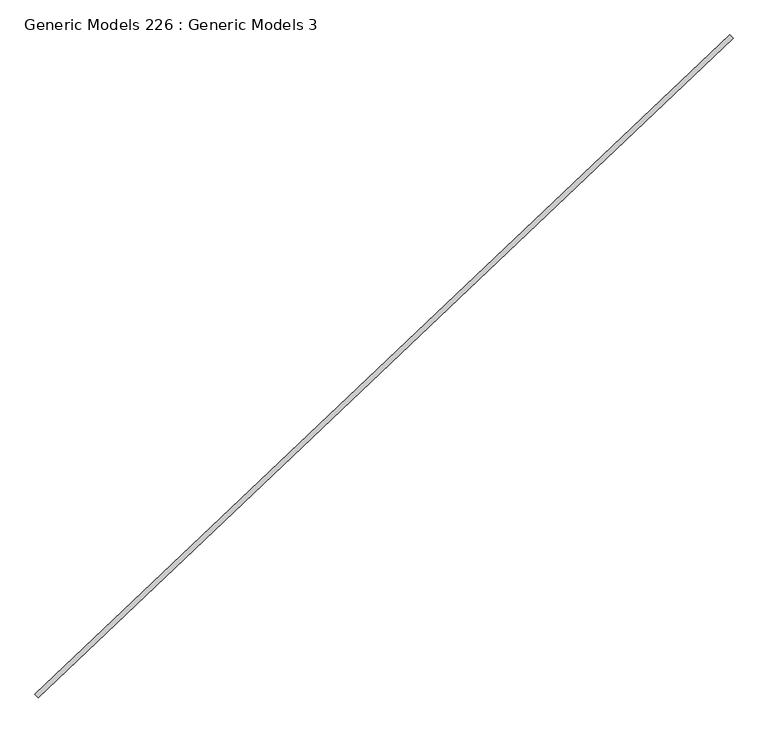
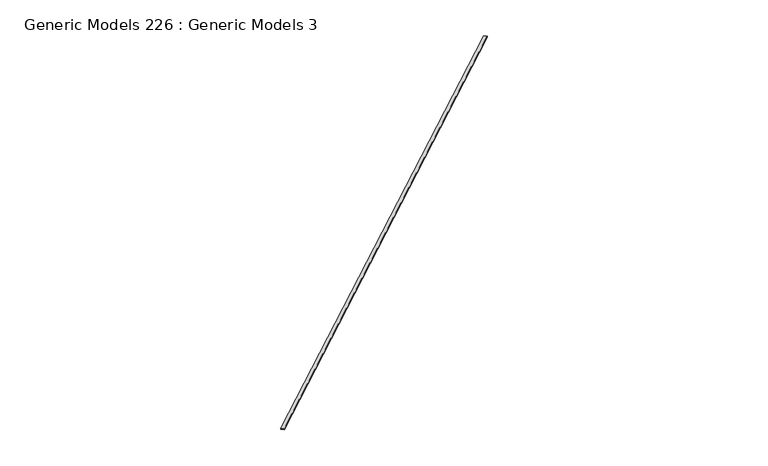
"""IFC4 building model written with IfcOpenShell, lengths in millimetres: proxy geometry, Generic Models 226 : Generic Models 3."""

from ifc_helpers import new_model, si_unit, frame, origin, place, context, project, spatial, polyline, outline, extrude, source, transform, mapped, element, save


def generic_models_226_generic_models_3_fdf78cc7(model_context):
    return source(origin(), model_context, "Body", "SweptSolid", [
        extrude(outline(polyline([(116133.2631702, 52880.4238053), (116194.457892, 52815.9380237), (103456.2129657, 40727.7949465), (103395.018244, 40792.2807281), (116133.2631702, 52880.4238053)])), frame((0.0, 0.0, 17957.8), z_axis=(0.0, 0.0, 1.0), x_axis=(1.0, 0.0, 0.0)), (0.0, 0.0, 1.0), 38.1),
    ])


if __name__ == "__main__":
    model = new_model("IFC4")
    model_context = context("Model", 3, world=origin())
    ifc_project = project(units=[si_unit("LENGTHUNIT", "METRE", prefix="MILLI")], contexts=[model_context])
    site = spatial("IfcSite", under=ifc_project)
    building = spatial("IfcBuilding", under=site)
    placement = place(None, origin())
    generic_models_226_generic_models_3_shape = generic_models_226_generic_models_3_fdf78cc7(model_context)
    element("IfcBuildingElementProxy", 1, Name="Generic Models 226 : Generic Models 3", ObjectType="Generic Models 226 : Generic Models 3", at=placement, inside=building, context=model_context, shape_type="MappedRepresentation", body=[
        mapped(generic_models_226_generic_models_3_shape, transform((0.0, 0.0, 0.0), x_axis=(1.0, 0.0, 0.0), y_axis=(0.0, 1.0, 0.0), z_axis=(0.0, 0.0, 1.0))),
    ])
    save(model, "model.ifc")
